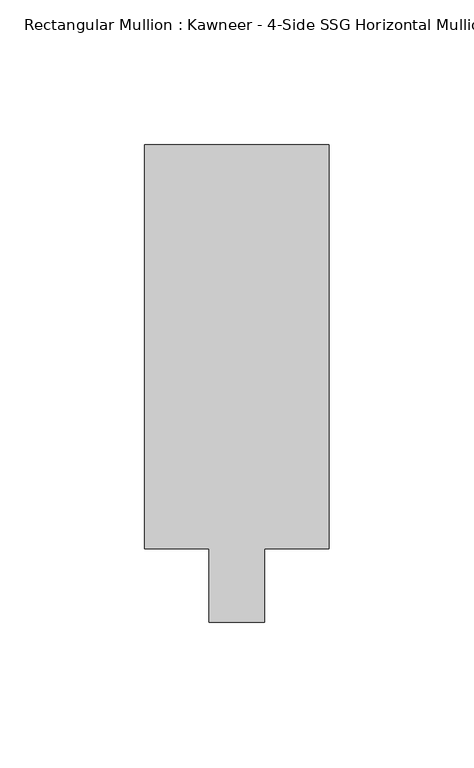
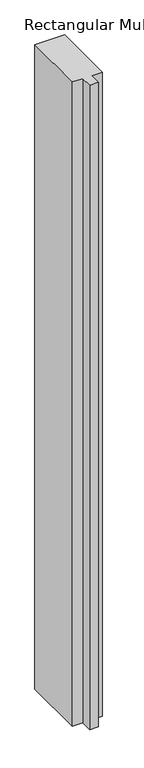
"""IFC4 building model written with IfcOpenShell, lengths in millimetres: member geometry."""

from ifc_helpers import new_model, si_unit, frame, origin, place, context, project, spatial, polyline, outline, extrude, source, transform, mapped, element, save


def member_51c2879c(model_context):
    return source(origin(), model_context, "Body", "SweptSolid", [
        extrude(outline(polyline([(-31.75, 151.892), (31.75, 151.892), (31.75, 12.7), (9.5251132, 12.7), (9.5251132, -12.7), (-9.5251132, -12.7), (-9.5251132, 12.7), (-31.75, 12.7), (-31.75, 151.892)])), frame((0.0, 0.0, -1460.1337817), z_axis=(0.0, 0.0, 1.0), x_axis=(1.0, 0.0, 0.0)), (0.0, 0.0, 1.0), 1460.1337817),
    ])


if __name__ == "__main__":
    model = new_model("IFC4")
    model_context = context("Model", 3, world=origin())
    ifc_project = project(units=[si_unit("LENGTHUNIT", "METRE", prefix="MILLI")], contexts=[model_context])
    site = spatial("IfcSite", under=ifc_project)
    building = spatial("IfcBuilding", under=site)
    placement = place(None, origin())
    member_shape = member_51c2879c(model_context)
    element("IfcMember", 1, ObjectType="Rectangular Mullion : Kawneer - 4-Side SSG Horizontal Mullion - 6 1/2\"", at=placement, inside=building, context=model_context, shape_type="MappedRepresentation", body=[
        mapped(member_shape, transform((0.0, 0.0, 0.0), x_axis=(1.0, 0.0, 0.0), y_axis=(0.0, 1.0, 0.0), z_axis=(0.0, 0.0, 1.0))),
    ])
    save(model, "model.ifc")
